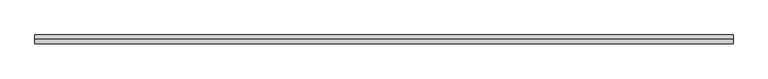
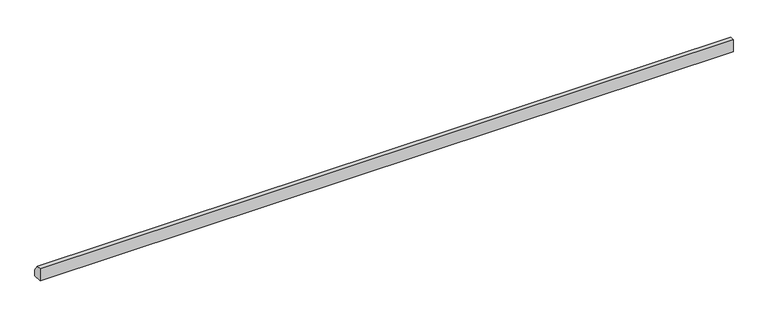
"""IFC4 building model written with IfcOpenShell, lengths in millimetres: proxy geometry."""

from ifc_helpers import new_model, si_unit, frame, origin, place, context, project, spatial, polyline, outline, extrude, source, transform, mapped, element, save


def generic_models_ab9ab5b4(model_context):
    return source(origin(), model_context, "Body", "SweptSolid", [
        extrude(outline(polyline([(9580.0360393, 8500.0), (9930.0360393, 8000.0), (9930.0360393, 7500.0), (9230.0360393, 7500.0), (9230.0360393, 8500.0), (9580.0360393, 8500.0)])), frame((-31903.0103102, 0.0, 0.0), z_axis=(1.0, 0.0, 0.0), x_axis=(0.0, 1.0, 0.0)), (0.0, 0.0, 1.0), 54821.0288788),
    ])


if __name__ == "__main__":
    model = new_model("IFC4")
    model_context = context("Model", 3, world=origin())
    ifc_project = project(units=[si_unit("LENGTHUNIT", "METRE", prefix="MILLI")], contexts=[model_context])
    site = spatial("IfcSite", under=ifc_project)
    building = spatial("IfcBuilding", under=site)
    placement = place(None, origin())
    generic_models_shape = generic_models_ab9ab5b4(model_context)
    element("IfcBuildingElementProxy", 1, Name="Generic Models", at=placement, inside=building, context=model_context, shape_type="MappedRepresentation", body=[
        mapped(generic_models_shape, transform((0.0, 0.0, 0.0), x_axis=(1.0, 0.0, 0.0), y_axis=(0.0, 1.0, 0.0), z_axis=(0.0, 0.0, 1.0))),
    ])
    save(model, "model.ifc")
